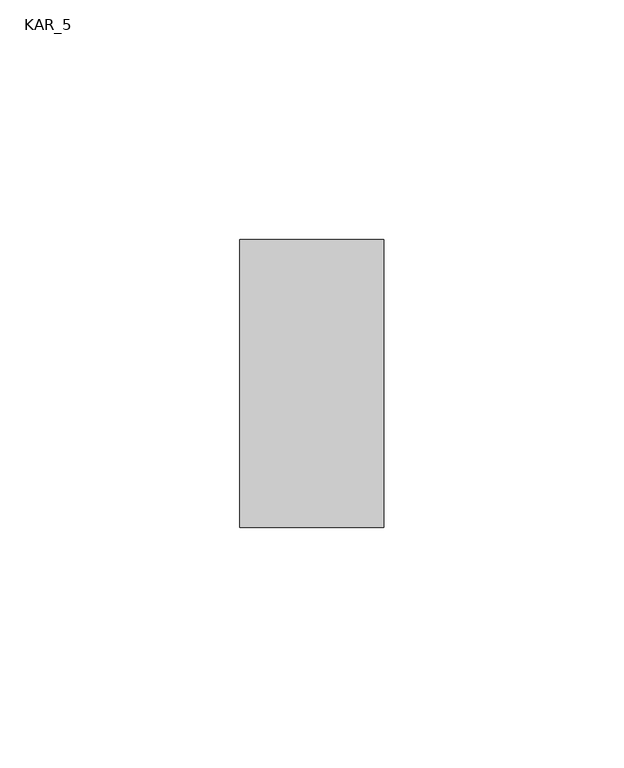
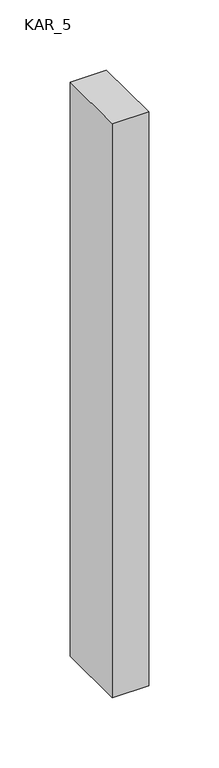
"""IFC4 building model written with IfcOpenShell, lengths in millimetres: proxy geometry, KAR_5."""

from ifc_helpers import new_model, si_unit, frame, origin, place, context, project, spatial, polyline, outline, extrude, source, transform, mapped, element, save


def kar_5_b2c7da73(model_context):
    return source(origin(), model_context, "Body", "SweptSolid", [
        extrude(outline(polyline([(30.0, 60.0), (30.0, 0.0), (0.0, 0.0), (0.0, 60.0), (30.0, 60.0)])), frame((0.0, 0.0, 1300.0), z_axis=(0.0, 0.0, 1.0), x_axis=(1.0, 0.0, 0.0)), (0.0, 0.0, 1.0), 500.0),
    ])


if __name__ == "__main__":
    model = new_model("IFC4")
    model_context = context("Model", 3, world=origin())
    ifc_project = project(units=[si_unit("LENGTHUNIT", "METRE", prefix="MILLI")], contexts=[model_context])
    site = spatial("IfcSite", under=ifc_project)
    building = spatial("IfcBuilding", under=site)
    placement = place(None, origin())
    kar_5_shape = kar_5_b2c7da73(model_context)
    element("IfcBuildingElementProxy", 1, Name="KAR_5", ObjectType="KAR_5", at=placement, inside=building, context=model_context, shape_type="MappedRepresentation", body=[
        mapped(kar_5_shape, transform((0.0, 0.0, 0.0), x_axis=(1.0, 0.0, 0.0), y_axis=(0.0, 1.0, 0.0), z_axis=(0.0, 0.0, 1.0))),
    ])
    save(model, "model.ifc")
